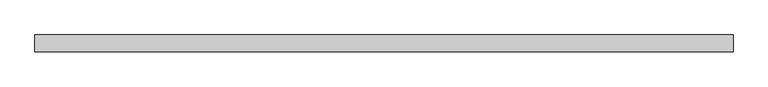
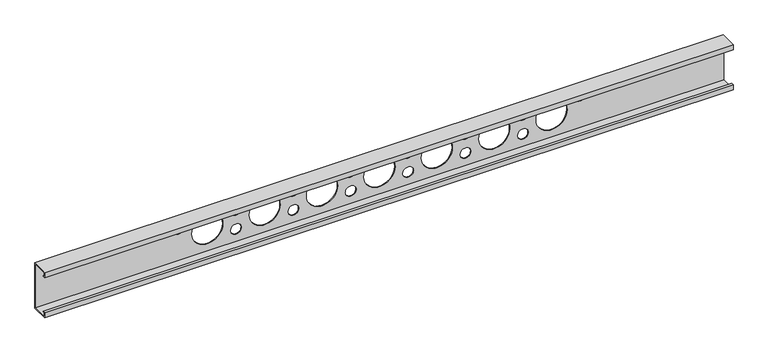
"""IFC4 building model written with IfcOpenShell, lengths in millimetres: beam geometry."""

import ifcopenshell
import ifcopenshell.guid

model = None  # the IFC model being written
_history = None  # IfcOwnerHistory: only IFC2X3 demands one
_inside = {}  # id of a spatial element -> (the spatial element, [elements in it])
_under = {}  # id of a project, library or spatial element -> (it, [spatial elements below it])
_declared = {}  # id of a project -> (the project, [libraries it declares])
_typed = {}  # id of a type object -> (the type object, [elements of that type])
_made_of = {}  # id of a material, layer set ... -> (it, [elements and type objects made of it])


def new_model(schema):
    """Start an empty IFC model of exactly this schema.

    Asked for "IFC4X3", IfcOpenShell would pick the latest addendum, in which some entities
    have other attributes; the version numbers below select the first issue.
    IFC2X3 requires an IfcOwnerHistory on every rooted entity: one is made here for all.
    """
    global model, _history
    if schema == "IFC4X3":
        model = ifcopenshell.file(schema_version=(4, 3, 0, 0))
    else:
        model = ifcopenshell.file(schema=schema)
    _inside.clear()
    _under.clear()
    _declared.clear()
    _typed.clear()
    _made_of.clear()
    _history = None
    if model.schema == "IFC2X3":
        org = make("IfcOrganization", Name="unknown")
        user = make(
            "IfcPersonAndOrganization",
            ThePerson=make("IfcPerson", FamilyName="unknown"),
            TheOrganization=org,
        )
        app = make(
            "IfcApplication",
            ApplicationDeveloper=org,
            Version="unknown",
            ApplicationFullName="unknown",
            ApplicationIdentifier="unknown",
        )
        _history = make(
            "IfcOwnerHistory",
            OwningUser=user,
            OwningApplication=app,
            ChangeAction="ADDED",
            CreationDate=0,
        )
    return model


def make(cls, **values):
    """One entity of the class cls with the attributes given. An attribute that is None is left unset."""
    return model.create_entity(
        cls, **{name: value for name, value in values.items() if value is not None}
    )


def rooted(cls, **values):
    """An entity with a GlobalId (a new one), such as an element, a storey or a relation."""
    return make(cls, GlobalId=ifcopenshell.guid.new(), OwnerHistory=_history, **values)


def si_unit(unit_type, name, prefix=None):
    """IfcSIUnit, for example si_unit("LENGTHUNIT", "METRE", prefix="MILLI")."""
    return make("IfcSIUnit", UnitType=unit_type, Prefix=prefix, Name=name)


def assignment(units):
    """IfcUnitAssignment: the units of a project."""
    return None if units is None else make("IfcUnitAssignment", Units=units)


def point(xyz):
    """IfcCartesianPoint."""
    return None if xyz is None else make("IfcCartesianPoint", Coordinates=xyz)


def direction(xyz):
    """IfcDirection."""
    return None if xyz is None else make("IfcDirection", DirectionRatios=xyz)


def frame(location, z_axis=None, x_axis=None):
    """IfcAxis2Placement3D, a coordinate frame: its origin and axes. An axis left out is left unset."""
    return make(
        "IfcAxis2Placement3D",
        Location=point(location),
        Axis=direction(z_axis),
        RefDirection=direction(x_axis),
    )


def origin():
    """The frame at (0, 0, 0) with its axes left unset."""
    return frame((0.0, 0.0, 0.0))


def place(relative_to, where):
    """IfcLocalPlacement: puts the frame where relative to a parent placement (None: the world)."""
    return make(
        "IfcLocalPlacement", PlacementRelTo=relative_to, RelativePlacement=where
    )


def context(
    kind, dimensions, precision=None, world=None, true_north=None, identifier=None
):
    """IfcGeometricRepresentationContext, for example the 3D "Model" context."""
    return make(
        "IfcGeometricRepresentationContext",
        ContextIdentifier=identifier,
        ContextType=kind,
        CoordinateSpaceDimension=dimensions,
        Precision=precision,
        WorldCoordinateSystem=world,
        TrueNorth=true_north,
    )


def project(units=None, contexts=None):
    """IfcProject with its units and contexts."""
    return rooted(
        "IfcProject",
        Name="project",
        RepresentationContexts=contexts,
        UnitsInContext=assignment(units),
    )


def spatial(cls, under=None, at=None, **own):
    """A site, building, storey or space (cls), placed at a placement, below another one or the project."""
    s = rooted(cls, ObjectPlacement=at, **own)
    if under is not None:
        _under.setdefault(under.id(), (under, []))[1].append(s)
    return s


def polyline(points):
    """IfcPolyline through the points."""
    return make("IfcPolyline", Points=[point(p) for p in points])


def circle_curve(where, radius):
    """IfcCircle in the frame where."""
    return make("IfcCircle", Position=where, Radius=radius)


def shape(context_of_items, identifier, shape_type, items):
    """IfcShapeRepresentation: the items that make up one representation, for example the "Body"."""
    return make(
        "IfcShapeRepresentation",
        ContextOfItems=context_of_items,
        RepresentationIdentifier=identifier,
        RepresentationType=shape_type,
        Items=items,
    )


def source(mapping_origin, context_of_items, identifier, shape_type, items):
    """IfcRepresentationMap: a shape defined once, which mapped items show again and again."""
    return make(
        "IfcRepresentationMap",
        MappingOrigin=mapping_origin,
        MappedRepresentation=shape(context_of_items, identifier, shape_type, items),
    )


def transform(
    local_origin,
    x_axis=None,
    y_axis=None,
    z_axis=None,
    scale=None,
    scale2=None,
    scale3=None,
    uniform=True,
):
    """IfcCartesianTransformationOperator3D, or its non-uniform kind. x_axis, y_axis, z_axis: its Axis1, 2, 3."""
    if uniform:
        return make(
            "IfcCartesianTransformationOperator3D",
            Axis1=direction(x_axis),
            Axis2=direction(y_axis),
            LocalOrigin=point(local_origin),
            Scale=scale,
            Axis3=direction(z_axis),
        )
    return make(
        "IfcCartesianTransformationOperator3DnonUniform",
        Axis1=direction(x_axis),
        Axis2=direction(y_axis),
        LocalOrigin=point(local_origin),
        Scale=scale,
        Axis3=direction(z_axis),
        Scale2=scale2,
        Scale3=scale3,
    )


def mapped(mapping_source, mapping_target):
    """IfcMappedItem: shows the shape of a source again, moved by a transform."""
    return make(
        "IfcMappedItem", MappingSource=mapping_source, MappingTarget=mapping_target
    )


def made_of(thing, what):
    """Note that an element or type object is made of a material, layer set ...; save() writes the relation."""
    if what is not None:
        _made_of.setdefault(what.id(), (what, []))[1].append(thing)
    return thing


def element(
    cls,
    number,
    at=None,
    inside=None,
    cuts=None,
    type_object=None,
    material=None,
    context=None,
    identifier="Body",
    shape_type=None,
    held_by="IfcProductDefinitionShape",
    body=None,
    shapes=None,
    **own,
):
    """One element of the class cls, such as IfcWall. Its Tag is "e" and its number.

    at: its placement. inside: the storey or other place that contains it. cuts: it is an
    opening in that element (IfcRelVoidsElement). A single representation is given by context,
    identifier, shape_type and body (its items); several are given by shapes. held_by: the class
    of the entity that holds the representations. save() writes the other relations.
    """
    e = rooted(cls, Tag="e%d" % number, ObjectPlacement=at, **own)
    if body is not None:
        shapes = [shape(context, identifier, shape_type, body)]
    if shapes is not None:
        e.Representation = make(held_by, Representations=shapes)
    if inside is not None:
        _inside.setdefault(inside.id(), (inside, []))[1].append(e)
    if cuts is not None:
        rooted(
            "IfcRelVoidsElement", RelatingBuildingElement=cuts, RelatedOpeningElement=e
        )
    if type_object is not None:
        _typed.setdefault(type_object.id(), (type_object, []))[1].append(e)
    return made_of(e, material)


def aggregate(whole, parts):
    """IfcRelAggregates: a whole, such as a stair, and the parts it consists of."""
    return rooted("IfcRelAggregates", RelatingObject=whole, RelatedObjects=parts)


def save(model, path):
    """Write the relations noted so far, then the file.

    IfcRelAggregates (storeys below a building ...), IfcRelContainedInSpatialStructure (elements
    in a storey), IfcRelDefinesByType, IfcRelAssociatesMaterial and IfcRelDeclares: one each for
    every whole, place, type object, material and project.
    """
    for whole, parts in _under.values():
        aggregate(whole, parts)
    for where, things in _inside.values():
        rooted(
            "IfcRelContainedInSpatialStructure",
            RelatedElements=things,
            RelatingStructure=where,
        )
    for kind, things in _typed.values():
        rooted("IfcRelDefinesByType", RelatedObjects=things, RelatingType=kind)
    for what, things in _made_of.values():
        rooted("IfcRelAssociatesMaterial", RelatedObjects=things, RelatingMaterial=what)
    for by, libraries in _declared.values():
        rooted("IfcRelDeclares", RelatingContext=by, RelatedDefinitions=libraries)
    model.write(path)


def plane_surface(at):
    """IfcPlane: the flat surface through the origin of the frame at, square to its z axis."""
    return make("IfcPlane", Position=at)


def revolved_surface(curve, axis_point, axis_direction):
    """IfcSurfaceOfRevolution: the curve turned about the line through axis_point along axis_direction."""
    return make(
        "IfcSurfaceOfRevolution",
        SweptCurve=make("IfcArbitraryOpenProfileDef", ProfileType="CURVE", Curve=curve),
        AxisPosition=make("IfcAxis1Placement", Location=point(axis_point), Axis=direction(axis_direction)),
    )


def advanced_brep(points, edges, surfaces, faces):
    """IfcAdvancedBrep: a solid bounded by faces that lie on surfaces and meet in shared edges.

    An edge is (start, end): straight between two places in points (the first is 0);
    or (start, end, curve); or (start, end, curve, False) where it runs against its curve.
    A face is (place in surfaces, loops), or (place, loops, False) where it looks against
    its surface's normal. A loop lists edges by number (the first is 1), with a minus sign
    where the edge is run from its end to its start. The first loop is the outer one.
    """
    corners = [point(p) for p in points]
    vertices = [make("IfcVertexPoint", VertexGeometry=c) for c in corners]
    made = []
    for start, end, *more in edges:
        made.append(
            make(
                "IfcEdgeCurve",
                EdgeStart=vertices[start],
                EdgeEnd=vertices[end],
                EdgeGeometry=more[0] if more else make("IfcPolyline", Points=[corners[start], corners[end]]),
                SameSense=more[1] if len(more) > 1 else True,
            )
        )
    hull = []
    for where, loops, *sense in faces:
        bounds = []
        for j, loop in enumerate(loops):
            ring = [make("IfcOrientedEdge", EdgeElement=made[abs(k) - 1], Orientation=k > 0) for k in loop]
            bounds.append(
                make(
                    "IfcFaceOuterBound" if j == 0 else "IfcFaceBound",
                    Bound=make("IfcEdgeLoop", EdgeList=ring),
                    Orientation=True,
                )
            )
        hull.append(make("IfcAdvancedFace", Bounds=bounds, FaceSurface=surfaces[where], SameSense=sense[0] if sense else True))
    return make("IfcAdvancedBrep", Outer=make("IfcClosedShell", CfsFaces=hull))


def beam_0a7a5079(model_context):
    return source(origin(), model_context, "Body", "AdvancedBrep", [
        advanced_brep(
        [(1828.8, 44.45, -127.0), (1828.8, 44.45, 127.0), (1828.8, -44.45, 127.0), (1828.8, -44.45, 98.425), (1828.8, -31.75, 98.425), (1828.8, -31.75, 101.57968), (1828.8, -41.29532, 101.57968), (1828.8, -41.29532, 123.84532), (1828.8, 41.29532, 123.84532), (1828.8, 41.29532, -123.84532), (1828.8, -41.29532, -123.84532), (1828.8, -41.29532, -101.57968), (1828.8, -31.75, -101.57968), (1828.8, -31.75, -98.425), (1828.8, -44.45, -98.425), (1828.8, -44.45, -127.0), (-1828.8, 44.45, -127.0), (-1828.8, -44.45, -127.0), (-1828.8, -44.45, -98.425), (-1828.8, -31.75, -98.425), (-1828.8, -31.75, -101.57968), (-1828.8, -41.29532, -101.57968), (-1828.8, -41.29532, -123.84532), (-1828.8, 41.29532, -123.84532), (-1828.8, 41.29532, 123.84532), (-1828.8, -41.29532, 123.84532), (-1828.8, -41.29532, 101.57968), (-1828.8, -31.75, 101.57968), (-1828.8, -31.75, 98.425), (-1828.8, -44.45, 98.425), (-1828.8, -44.45, 127.0), (-1828.8, 44.45, 127.0), (-996.95, 44.45, 0.0), (-831.85, 44.45, 0.0), (-790.575, 44.45, -53.975), (-733.425, 44.45, -53.975), (-790.575, 44.45, 53.975), (-733.425, 44.45, 53.975), (-692.15, 44.45, 0.0), (-527.05, 44.45, 0.0), (-485.775, 44.45, -53.975), (-428.625, 44.45, -53.975), (-485.775, 44.45, 53.975), (-428.625, 44.45, 53.975), (831.85, 44.45, 0.0), (996.95, 44.45, 0.0), (1038.225, 44.45, 53.975), (1095.375, 44.45, 53.975), (-1095.375, 44.45, 53.975), (-1038.225, 44.45, 53.975), (-387.35, 44.45, 0.0), (-222.25, 44.45, 0.0), (-180.975, 44.45, -53.975), (-123.825, 44.45, -53.975), (-180.975, 44.45, 53.975), (-123.825, 44.45, 53.975), (-82.55, 44.45, 0.0), (82.55, 44.45, 0.0), (123.825, 44.45, -53.975), (180.975, 44.45, -53.975), (123.825, 44.45, 53.975), (180.975, 44.45, 53.975), (222.25, 44.45, 0.0), (387.35, 44.45, 0.0), (428.625, 44.45, -53.975), (485.775, 44.45, -53.975), (428.625, 44.45, 53.975), (485.775, 44.45, 53.975), (527.05, 44.45, 0.0), (692.15, 44.45, 0.0), (733.425, 44.45, -53.975), (790.575, 44.45, -53.975), (733.425, 44.45, 53.975), (790.575, 44.45, 53.975), (-831.85, 41.29532, 0.0), (-996.95, 41.29532, 0.0), (-733.425, 41.29532, -53.975), (-790.575, 41.29532, -53.975), (-733.425, 41.29532, 53.975), (-790.575, 41.29532, 53.975), (-527.05, 41.29532, 0.0), (-692.15, 41.29532, 0.0), (-428.625, 41.29532, -53.975), (-485.775, 41.29532, -53.975), (-428.625, 41.29532, 53.975), (-485.775, 41.29532, 53.975), (996.95, 41.29532, 0.0), (831.85, 41.29532, 0.0), (1095.375, 41.29532, 53.975), (1038.225, 41.29532, 53.975), (-1038.225, 41.29532, 53.975), (-1095.375, 41.29532, 53.975), (-222.25, 41.29532, 0.0), (-387.35, 41.29532, 0.0), (-123.825, 41.29532, -53.975), (-180.975, 41.29532, -53.975), (-123.825, 41.29532, 53.975), (-180.975, 41.29532, 53.975), (82.55, 41.29532, 0.0), (-82.55, 41.29532, 0.0), (180.975, 41.29532, -53.975), (123.825, 41.29532, -53.975), (180.975, 41.29532, 53.975), (123.825, 41.29532, 53.975), (387.35, 41.29532, 0.0), (222.25, 41.29532, 0.0), (485.775, 41.29532, -53.975), (428.625, 41.29532, -53.975), (485.775, 41.29532, 53.975), (428.625, 41.29532, 53.975), (692.15, 41.29532, 0.0), (527.05, 41.29532, 0.0), (790.575, 41.29532, -53.975), (733.425, 41.29532, -53.975), (790.575, 41.29532, 53.975), (733.425, 41.29532, 53.975)],
        [
            (0, 1),
            (1, 2),
            (2, 3),
            (3, 4),
            (4, 5),
            (5, 6),
            (6, 7),
            (7, 8),
            (8, 9),
            (9, 10),
            (10, 11),
            (11, 12),
            (12, 13),
            (13, 14),
            (14, 15),
            (15, 0),
            (16, 17),
            (17, 18),
            (18, 19),
            (19, 20),
            (20, 21),
            (21, 22),
            (22, 23),
            (23, 24),
            (24, 25),
            (25, 26),
            (26, 27),
            (27, 28),
            (28, 29),
            (29, 30),
            (30, 31),
            (31, 16),
            (0, 16),
            (31, 1),
            (32, 33, circle_curve(frame((-914.4, 44.45, 0.0), z_axis=(0.0, -1.0, 0.0), x_axis=(1.0, 0.0, 0.0)), 82.55)),
            (33, 32, circle_curve(frame((-914.4, 44.45, 0.0), z_axis=(0.0, -1.0, 0.0), x_axis=(1.0, 0.0, 0.0)), 82.55)),
            (34, 35, circle_curve(frame((-762.0, 44.45, -53.975), z_axis=(0.0, -1.0, 0.0), x_axis=(1.0, 0.0, 0.0)), 28.575)),
            (35, 34, circle_curve(frame((-762.0, 44.45, -53.975), z_axis=(0.0, -1.0, 0.0), x_axis=(1.0, 0.0, 0.0)), 28.575)),
            (36, 37, circle_curve(frame((-762.0, 44.45, 53.975), z_axis=(0.0, -1.0, 0.0), x_axis=(1.0, 0.0, 0.0)), 28.575)),
            (37, 36, circle_curve(frame((-762.0, 44.45, 53.975), z_axis=(0.0, -1.0, 0.0), x_axis=(1.0, 0.0, 0.0)), 28.575)),
            (38, 39, circle_curve(frame((-609.6, 44.45, 0.0), z_axis=(0.0, -1.0, 0.0), x_axis=(1.0, 0.0, 0.0)), 82.55)),
            (39, 38, circle_curve(frame((-609.6, 44.45, 0.0), z_axis=(0.0, -1.0, 0.0), x_axis=(1.0, 0.0, 0.0)), 82.55)),
            (40, 41, circle_curve(frame((-457.2, 44.45, -53.975), z_axis=(0.0, -1.0, 0.0), x_axis=(1.0, 0.0, 0.0)), 28.575)),
            (41, 40, circle_curve(frame((-457.2, 44.45, -53.975), z_axis=(0.0, -1.0, 0.0), x_axis=(1.0, 0.0, 0.0)), 28.575)),
            (42, 43, circle_curve(frame((-457.2, 44.45, 53.975), z_axis=(0.0, -1.0, 0.0), x_axis=(1.0, 0.0, 0.0)), 28.575)),
            (43, 42, circle_curve(frame((-457.2, 44.45, 53.975), z_axis=(0.0, -1.0, 0.0), x_axis=(1.0, 0.0, 0.0)), 28.575)),
            (44, 45, circle_curve(frame((914.4, 44.45, 0.0), z_axis=(0.0, -1.0, 0.0), x_axis=(1.0, 0.0, 0.0)), 82.55)),
            (45, 44, circle_curve(frame((914.4, 44.45, 0.0), z_axis=(0.0, -1.0, 0.0), x_axis=(1.0, 0.0, 0.0)), 82.55)),
            (46, 47, circle_curve(frame((1066.8, 44.45, 53.975), z_axis=(0.0, -1.0, 0.0), x_axis=(1.0, 0.0, 0.0)), 28.575)),
            (47, 46, circle_curve(frame((1066.8, 44.45, 53.975), z_axis=(0.0, -1.0, 0.0), x_axis=(1.0, 0.0, 0.0)), 28.575)),
            (48, 49, circle_curve(frame((-1066.8, 44.45, 53.975), z_axis=(0.0, -1.0, 0.0), x_axis=(1.0, 0.0, 0.0)), 28.575)),
            (49, 48, circle_curve(frame((-1066.8, 44.45, 53.975), z_axis=(0.0, -1.0, 0.0), x_axis=(1.0, 0.0, 0.0)), 28.575)),
            (50, 51, circle_curve(frame((-304.8, 44.45, 0.0), z_axis=(0.0, -1.0, 0.0), x_axis=(1.0, 0.0, 0.0)), 82.55)),
            (51, 50, circle_curve(frame((-304.8, 44.45, 0.0), z_axis=(0.0, -1.0, 0.0), x_axis=(1.0, 0.0, 0.0)), 82.55)),
            (52, 53, circle_curve(frame((-152.4, 44.45, -53.975), z_axis=(0.0, -1.0, 0.0), x_axis=(1.0, 0.0, 0.0)), 28.575)),
            (53, 52, circle_curve(frame((-152.4, 44.45, -53.975), z_axis=(0.0, -1.0, 0.0), x_axis=(1.0, 0.0, 0.0)), 28.575)),
            (54, 55, circle_curve(frame((-152.4, 44.45, 53.975), z_axis=(0.0, -1.0, 0.0), x_axis=(1.0, 0.0, 0.0)), 28.575)),
            (55, 54, circle_curve(frame((-152.4, 44.45, 53.975), z_axis=(0.0, -1.0, 0.0), x_axis=(1.0, 0.0, 0.0)), 28.575)),
            (56, 57, circle_curve(frame((0.0, 44.45, 0.0), z_axis=(0.0, -1.0, 0.0), x_axis=(1.0, 0.0, 0.0)), 82.55)),
            (57, 56, circle_curve(frame((0.0, 44.45, 0.0), z_axis=(0.0, -1.0, 0.0), x_axis=(1.0, 0.0, 0.0)), 82.55)),
            (58, 59, circle_curve(frame((152.4, 44.45, -53.975), z_axis=(0.0, -1.0, 0.0), x_axis=(1.0, 0.0, 0.0)), 28.575)),
            (59, 58, circle_curve(frame((152.4, 44.45, -53.975), z_axis=(0.0, -1.0, 0.0), x_axis=(1.0, 0.0, 0.0)), 28.575)),
            (60, 61, circle_curve(frame((152.4, 44.45, 53.975), z_axis=(0.0, -1.0, 0.0), x_axis=(1.0, 0.0, 0.0)), 28.575)),
            (61, 60, circle_curve(frame((152.4, 44.45, 53.975), z_axis=(0.0, -1.0, 0.0), x_axis=(1.0, 0.0, 0.0)), 28.575)),
            (62, 63, circle_curve(frame((304.8, 44.45, 0.0), z_axis=(0.0, -1.0, 0.0), x_axis=(1.0, 0.0, 0.0)), 82.55)),
            (63, 62, circle_curve(frame((304.8, 44.45, 0.0), z_axis=(0.0, -1.0, 0.0), x_axis=(1.0, 0.0, 0.0)), 82.55)),
            (64, 65, circle_curve(frame((457.2, 44.45, -53.975), z_axis=(0.0, -1.0, 0.0), x_axis=(1.0, 0.0, 0.0)), 28.575)),
            (65, 64, circle_curve(frame((457.2, 44.45, -53.975), z_axis=(0.0, -1.0, 0.0), x_axis=(1.0, 0.0, 0.0)), 28.575)),
            (66, 67, circle_curve(frame((457.2, 44.45, 53.975), z_axis=(0.0, -1.0, 0.0), x_axis=(1.0, 0.0, 0.0)), 28.575)),
            (67, 66, circle_curve(frame((457.2, 44.45, 53.975), z_axis=(0.0, -1.0, 0.0), x_axis=(1.0, 0.0, 0.0)), 28.575)),
            (68, 69, circle_curve(frame((609.6, 44.45, 0.0), z_axis=(0.0, -1.0, 0.0), x_axis=(1.0, 0.0, 0.0)), 82.55)),
            (69, 68, circle_curve(frame((609.6, 44.45, 0.0), z_axis=(0.0, -1.0, 0.0), x_axis=(1.0, 0.0, 0.0)), 82.55)),
            (70, 71, circle_curve(frame((762.0, 44.45, -53.975), z_axis=(0.0, -1.0, 0.0), x_axis=(1.0, 0.0, 0.0)), 28.575)),
            (71, 70, circle_curve(frame((762.0, 44.45, -53.975), z_axis=(0.0, -1.0, 0.0), x_axis=(1.0, 0.0, 0.0)), 28.575)),
            (72, 73, circle_curve(frame((762.0, 44.45, 53.975), z_axis=(0.0, -1.0, 0.0), x_axis=(1.0, 0.0, 0.0)), 28.575)),
            (73, 72, circle_curve(frame((762.0, 44.45, 53.975), z_axis=(0.0, -1.0, 0.0), x_axis=(1.0, 0.0, 0.0)), 28.575)),
            (30, 2),
            (29, 3),
            (28, 4),
            (27, 5),
            (26, 6),
            (25, 7),
            (24, 8),
            (23, 9),
            (74, 75, circle_curve(frame((-914.4, 41.29532, 0.0), z_axis=(0.0, 1.0, 0.0), x_axis=(1.0, 0.0, 0.0)), 82.55)),
            (75, 74, circle_curve(frame((-914.4, 41.29532, 0.0), z_axis=(0.0, 1.0, 0.0), x_axis=(1.0, 0.0, 0.0)), 82.55)),
            (76, 77, circle_curve(frame((-762.0, 41.29532, -53.975), z_axis=(0.0, 1.0, 0.0), x_axis=(1.0, 0.0, 0.0)), 28.575)),
            (77, 76, circle_curve(frame((-762.0, 41.29532, -53.975), z_axis=(0.0, 1.0, 0.0), x_axis=(1.0, 0.0, 0.0)), 28.575)),
            (78, 79, circle_curve(frame((-762.0, 41.29532, 53.975), z_axis=(0.0, 1.0, 0.0), x_axis=(1.0, 0.0, 0.0)), 28.575)),
            (79, 78, circle_curve(frame((-762.0, 41.29532, 53.975), z_axis=(0.0, 1.0, 0.0), x_axis=(1.0, 0.0, 0.0)), 28.575)),
            (80, 81, circle_curve(frame((-609.6, 41.29532, 0.0), z_axis=(0.0, 1.0, 0.0), x_axis=(1.0, 0.0, 0.0)), 82.55)),
            (81, 80, circle_curve(frame((-609.6, 41.29532, 0.0), z_axis=(0.0, 1.0, 0.0), x_axis=(1.0, 0.0, 0.0)), 82.55)),
            (82, 83, circle_curve(frame((-457.2, 41.29532, -53.975), z_axis=(0.0, 1.0, 0.0), x_axis=(1.0, 0.0, 0.0)), 28.575)),
            (83, 82, circle_curve(frame((-457.2, 41.29532, -53.975), z_axis=(0.0, 1.0, 0.0), x_axis=(1.0, 0.0, 0.0)), 28.575)),
            (84, 85, circle_curve(frame((-457.2, 41.29532, 53.975), z_axis=(0.0, 1.0, 0.0), x_axis=(1.0, 0.0, 0.0)), 28.575)),
            (85, 84, circle_curve(frame((-457.2, 41.29532, 53.975), z_axis=(0.0, 1.0, 0.0), x_axis=(1.0, 0.0, 0.0)), 28.575)),
            (86, 87, circle_curve(frame((914.4, 41.29532, 0.0), z_axis=(0.0, 1.0, 0.0), x_axis=(1.0, 0.0, 0.0)), 82.55)),
            (87, 86, circle_curve(frame((914.4, 41.29532, 0.0), z_axis=(0.0, 1.0, 0.0), x_axis=(1.0, 0.0, 0.0)), 82.55)),
            (88, 89, circle_curve(frame((1066.8, 41.29532, 53.975), z_axis=(0.0, 1.0, 0.0), x_axis=(1.0, 0.0, 0.0)), 28.575)),
            (89, 88, circle_curve(frame((1066.8, 41.29532, 53.975), z_axis=(0.0, 1.0, 0.0), x_axis=(1.0, 0.0, 0.0)), 28.575)),
            (90, 91, circle_curve(frame((-1066.8, 41.29532, 53.975), z_axis=(0.0, 1.0, 0.0), x_axis=(1.0, 0.0, 0.0)), 28.575)),
            (91, 90, circle_curve(frame((-1066.8, 41.29532, 53.975), z_axis=(0.0, 1.0, 0.0), x_axis=(1.0, 0.0, 0.0)), 28.575)),
            (92, 93, circle_curve(frame((-304.8, 41.29532, 0.0), z_axis=(0.0, 1.0, 0.0), x_axis=(1.0, 0.0, 0.0)), 82.55)),
            (93, 92, circle_curve(frame((-304.8, 41.29532, 0.0), z_axis=(0.0, 1.0, 0.0), x_axis=(1.0, 0.0, 0.0)), 82.55)),
            (94, 95, circle_curve(frame((-152.4, 41.29532, -53.975), z_axis=(0.0, 1.0, 0.0), x_axis=(1.0, 0.0, 0.0)), 28.575)),
            (95, 94, circle_curve(frame((-152.4, 41.29532, -53.975), z_axis=(0.0, 1.0, 0.0), x_axis=(1.0, 0.0, 0.0)), 28.575)),
            (96, 97, circle_curve(frame((-152.4, 41.29532, 53.975), z_axis=(0.0, 1.0, 0.0), x_axis=(1.0, 0.0, 0.0)), 28.575)),
            (97, 96, circle_curve(frame((-152.4, 41.29532, 53.975), z_axis=(0.0, 1.0, 0.0), x_axis=(1.0, 0.0, 0.0)), 28.575)),
            (98, 99, circle_curve(frame((0.0, 41.29532, 0.0), z_axis=(0.0, 1.0, 0.0), x_axis=(1.0, 0.0, 0.0)), 82.55)),
            (99, 98, circle_curve(frame((0.0, 41.29532, 0.0), z_axis=(0.0, 1.0, 0.0), x_axis=(1.0, 0.0, 0.0)), 82.55)),
            (100, 101, circle_curve(frame((152.4, 41.29532, -53.975), z_axis=(0.0, 1.0, 0.0), x_axis=(1.0, 0.0, 0.0)), 28.575)),
            (101, 100, circle_curve(frame((152.4, 41.29532, -53.975), z_axis=(0.0, 1.0, 0.0), x_axis=(1.0, 0.0, 0.0)), 28.575)),
            (102, 103, circle_curve(frame((152.4, 41.29532, 53.975), z_axis=(0.0, 1.0, 0.0), x_axis=(1.0, 0.0, 0.0)), 28.575)),
            (103, 102, circle_curve(frame((152.4, 41.29532, 53.975), z_axis=(0.0, 1.0, 0.0), x_axis=(1.0, 0.0, 0.0)), 28.575)),
            (104, 105, circle_curve(frame((304.8, 41.29532, 0.0), z_axis=(0.0, 1.0, 0.0), x_axis=(1.0, 0.0, 0.0)), 82.55)),
            (105, 104, circle_curve(frame((304.8, 41.29532, 0.0), z_axis=(0.0, 1.0, 0.0), x_axis=(1.0, 0.0, 0.0)), 82.55)),
            (106, 107, circle_curve(frame((457.2, 41.29532, -53.975), z_axis=(0.0, 1.0, 0.0), x_axis=(1.0, 0.0, 0.0)), 28.575)),
            (107, 106, circle_curve(frame((457.2, 41.29532, -53.975), z_axis=(0.0, 1.0, 0.0), x_axis=(1.0, 0.0, 0.0)), 28.575)),
            (108, 109, circle_curve(frame((457.2, 41.29532, 53.975), z_axis=(0.0, 1.0, 0.0), x_axis=(1.0, 0.0, 0.0)), 28.575)),
            (109, 108, circle_curve(frame((457.2, 41.29532, 53.975), z_axis=(0.0, 1.0, 0.0), x_axis=(1.0, 0.0, 0.0)), 28.575)),
            (110, 111, circle_curve(frame((609.6, 41.29532, 0.0), z_axis=(0.0, 1.0, 0.0), x_axis=(1.0, 0.0, 0.0)), 82.55)),
            (111, 110, circle_curve(frame((609.6, 41.29532, 0.0), z_axis=(0.0, 1.0, 0.0), x_axis=(1.0, 0.0, 0.0)), 82.55)),
            (112, 113, circle_curve(frame((762.0, 41.29532, -53.975), z_axis=(0.0, 1.0, 0.0), x_axis=(1.0, 0.0, 0.0)), 28.575)),
            (113, 112, circle_curve(frame((762.0, 41.29532, -53.975), z_axis=(0.0, 1.0, 0.0), x_axis=(1.0, 0.0, 0.0)), 28.575)),
            (114, 115, circle_curve(frame((762.0, 41.29532, 53.975), z_axis=(0.0, 1.0, 0.0), x_axis=(1.0, 0.0, 0.0)), 28.575)),
            (115, 114, circle_curve(frame((762.0, 41.29532, 53.975), z_axis=(0.0, 1.0, 0.0), x_axis=(1.0, 0.0, 0.0)), 28.575)),
            (22, 10),
            (21, 11),
            (20, 12),
            (19, 13),
            (18, 14),
            (17, 15),
            (32, 75),
            (74, 33),
            (34, 77),
            (76, 35),
            (36, 79),
            (78, 37),
            (38, 81),
            (80, 39),
            (40, 83),
            (82, 41),
            (42, 85),
            (84, 43),
            (44, 87),
            (86, 45),
            (46, 89),
            (88, 47),
            (48, 91),
            (90, 49),
            (50, 93),
            (92, 51),
            (52, 95),
            (94, 53),
            (54, 97),
            (96, 55),
            (56, 99),
            (98, 57),
            (58, 101),
            (100, 59),
            (60, 103),
            (102, 61),
            (62, 105),
            (104, 63),
            (64, 107),
            (106, 65),
            (66, 109),
            (108, 67),
            (68, 111),
            (110, 69),
            (70, 113),
            (112, 71),
            (72, 115),
            (114, 73),
        ],
        [
            plane_surface(frame((1828.8, 44.45, 127.0), z_axis=(1.0, 0.0, 0.0), x_axis=(0.0, 0.0, 1.0))),
            plane_surface(frame((-1828.8, 44.45, 127.0), z_axis=(-1.0, 0.0, 0.0), x_axis=(0.0, 0.0, -1.0))),
            plane_surface(frame((1828.8, 44.45, -127.0), z_axis=(0.0, 1.0, 0.0), x_axis=(-1.0, 0.0, 0.0))),
            plane_surface(frame((1828.8, 44.45, 127.0), z_axis=(0.0, 0.0, 1.0), x_axis=(-1.0, 0.0, 0.0))),
            plane_surface(frame((1828.8, -44.45, 127.0), z_axis=(0.0, -1.0, 0.0), x_axis=(-1.0, 0.0, 0.0))),
            plane_surface(frame((1828.8, -44.45, 98.425), z_axis=(0.0, 0.0, -1.0), x_axis=(-1.0, 0.0, 0.0))),
            plane_surface(frame((1828.8, -31.75, 98.425), z_axis=(0.0, 1.0, 0.0), x_axis=(-1.0, 0.0, 0.0))),
            plane_surface(frame((1828.8, -31.75, 101.57968), z_axis=(0.0, 0.0, 1.0), x_axis=(-1.0, 0.0, 0.0))),
            plane_surface(frame((1828.8, -41.29532, 101.57968), z_axis=(0.0, 1.0, 0.0), x_axis=(-1.0, 0.0, 0.0))),
            plane_surface(frame((1828.8, -41.29532, 123.84532), z_axis=(0.0, 0.0, -1.0), x_axis=(-1.0, 0.0, 0.0))),
            plane_surface(frame((1828.8, 41.29532, 123.84532), z_axis=(0.0, -1.0, 0.0), x_axis=(-1.0, 0.0, 0.0))),
            plane_surface(frame((1828.8, 41.29532, -123.84532), z_axis=(0.0, 0.0, 1.0), x_axis=(-1.0, 0.0, 0.0))),
            plane_surface(frame((1828.8, -41.29532, -123.84532), z_axis=(0.0, 1.0, 0.0), x_axis=(-1.0, 0.0, 0.0))),
            plane_surface(frame((1828.8, -41.29532, -101.57968), z_axis=(0.0, 0.0, -1.0), x_axis=(-1.0, 0.0, 0.0))),
            plane_surface(frame((1828.8, -31.75, -101.57968), z_axis=(0.0, 1.0, 0.0), x_axis=(-1.0, 0.0, 0.0))),
            plane_surface(frame((1828.8, -31.75, -98.425), z_axis=(0.0, 0.0, 1.0), x_axis=(-1.0, 0.0, 0.0))),
            plane_surface(frame((1828.8, -44.45, -98.425), z_axis=(0.0, -1.0, 0.0), x_axis=(-1.0, 0.0, 0.0))),
            plane_surface(frame((1828.8, -44.45, -127.0), z_axis=(0.0, 0.0, -1.0), x_axis=(-1.0, 0.0, 0.0))),
            revolved_surface(polyline([(-831.85, 41.295320000000004, 0.0), (-831.85, 44.44999999999999, 0.0)]), (-914.4, 301.1175022, 0.0), (0.0, -1.0, 0.0)),
            revolved_surface(polyline([(-733.425, 41.29532, -53.975), (-733.425, 44.45, -53.975)]), (-762.0, 0.0, -53.975), (0.0, -1.0, 0.0)),
            revolved_surface(polyline([(-733.425, 41.29532, 53.975), (-733.425, 44.45, 53.975)]), (-762.0, 0.0, 53.975), (0.0, -1.0, 0.0)),
            revolved_surface(polyline([(-527.0500000000001, 41.295320000000004, 0.0), (-527.0500000000001, 44.44999999999999, 0.0)]), (-609.6, 301.1175022, 0.0), (0.0, -1.0, 0.0)),
            revolved_surface(polyline([(-428.625, 41.29532, -53.975), (-428.625, 44.45, -53.975)]), (-457.2, 0.0, -53.975), (0.0, -1.0, 0.0)),
            revolved_surface(polyline([(-428.625, 41.29532, 53.975), (-428.625, 44.45, 53.975)]), (-457.2, 0.0, 53.975), (0.0, -1.0, 0.0)),
            revolved_surface(polyline([(996.9499999999999, 41.295320000000004, 0.0), (996.9499999999999, 44.44999999999999, 0.0)]), (914.4, 301.1175022, 0.0), (0.0, -1.0, 0.0)),
            revolved_surface(polyline([(1095.375, 41.29532, 53.975), (1095.375, 44.45, 53.975)]), (1066.8, 0.0, 53.975), (0.0, -1.0, 0.0)),
            revolved_surface(polyline([(-1038.225, 41.295320000000004, 53.975), (-1038.225, 44.45, 53.975)]), (-1066.8, 116.7924658, 53.975), (0.0, -1.0, 0.0)),
            revolved_surface(polyline([(-222.25, 41.295320000000004, 0.0), (-222.25, 44.44999999999999, 0.0)]), (-304.8, 301.1175022, 0.0), (0.0, -1.0, 0.0)),
            revolved_surface(polyline([(-123.825, 41.29532, -53.975), (-123.825, 44.45, -53.975)]), (-152.4, 0.0, -53.975), (0.0, -1.0, 0.0)),
            revolved_surface(polyline([(-123.825, 41.29532, 53.975), (-123.825, 44.45, 53.975)]), (-152.4, 0.0, 53.975), (0.0, -1.0, 0.0)),
            revolved_surface(polyline([(82.55, 41.295320000000004, 0.0), (82.55, 44.44999999999999, 0.0)]), (0.0, 301.1175022, 0.0), (0.0, -1.0, 0.0)),
            revolved_surface(polyline([(180.975, 41.29532, -53.975), (180.975, 44.45, -53.975)]), (152.4, 0.0, -53.975), (0.0, -1.0, 0.0)),
            revolved_surface(polyline([(180.975, 41.29532, 53.975), (180.975, 44.45, 53.975)]), (152.4, 0.0, 53.975), (0.0, -1.0, 0.0)),
            revolved_surface(polyline([(387.35, 41.295320000000004, 0.0), (387.35, 44.44999999999999, 0.0)]), (304.8, 301.1175022, 0.0), (0.0, -1.0, 0.0)),
            revolved_surface(polyline([(485.775, 41.29532, -53.975), (485.775, 44.45, -53.975)]), (457.2, 0.0, -53.975), (0.0, -1.0, 0.0)),
            revolved_surface(polyline([(485.775, 41.29532, 53.975), (485.775, 44.45, 53.975)]), (457.2, 0.0, 53.975), (0.0, -1.0, 0.0)),
            revolved_surface(polyline([(692.15, 41.295320000000004, 0.0), (692.15, 44.44999999999999, 0.0)]), (609.6, 301.1175022, 0.0), (0.0, -1.0, 0.0)),
            revolved_surface(polyline([(790.575, 41.29532, -53.975), (790.575, 44.45, -53.975)]), (762.0, 0.0, -53.975), (0.0, -1.0, 0.0)),
            revolved_surface(polyline([(790.575, 41.29532, 53.975), (790.575, 44.45, 53.975)]), (762.0, 0.0, 53.975), (0.0, -1.0, 0.0)),
        ],
        [
            (0, [[1, 2, 3, 4, 5, 6, 7, 8, 9, 10, 11, 12, 13, 14, 15, 16]]),
            (1, [[17, 18, 19, 20, 21, 22, 23, 24, 25, 26, 27, 28, 29, 30, 31, 32]]),
            (2, [[-1, 33, -32, 34], [35, 36], [37, 38], [39, 40], [41, 42], [43, 44], [45, 46], [47, 48], [49, 50], [51, 52], [53, 54], [55, 56], [57, 58], [59, 60], [61, 62], [63, 64], [65, 66], [67, 68], [69, 70], [71, 72], [73, 74], [75, 76]]),
            (3, [[-2, -34, -31, 77]]),
            (4, [[-3, -77, -30, 78]]),
            (5, [[-4, -78, -29, 79]]),
            (6, [[-5, -79, -28, 80]]),
            (7, [[-6, -80, -27, 81]]),
            (8, [[-7, -81, -26, 82]]),
            (9, [[-8, -82, -25, 83]]),
            (10, [[-9, -83, -24, 84], [85, 86], [87, 88], [89, 90], [91, 92], [93, 94], [95, 96], [97, 98], [99, 100], [101, 102], [103, 104], [105, 106], [107, 108], [109, 110], [111, 112], [113, 114], [115, 116], [117, 118], [119, 120], [121, 122], [123, 124], [125, 126]]),
            (11, [[-10, -84, -23, 127]]),
            (12, [[-11, -127, -22, 128]]),
            (13, [[-12, -128, -21, 129]]),
            (14, [[-13, -129, -20, 130]]),
            (15, [[-14, -130, -19, 131]]),
            (16, [[-15, -131, -18, 132]]),
            (17, [[-16, -132, -17, -33]]),
            (18, [[133, -85, 134, -35]]),
            (18, [[-133, -36, -134, -86]]),
            (19, [[135, -87, 136, -37]]),
            (19, [[-135, -38, -136, -88]]),
            (20, [[137, -89, 138, -39]]),
            (20, [[-137, -40, -138, -90]]),
            (21, [[139, -91, 140, -41]]),
            (21, [[-139, -42, -140, -92]]),
            (22, [[141, -93, 142, -43]]),
            (22, [[-141, -44, -142, -94]]),
            (23, [[143, -95, 144, -45]]),
            (23, [[-143, -46, -144, -96]]),
            (24, [[145, -97, 146, -47]]),
            (24, [[-145, -48, -146, -98]]),
            (25, [[147, -99, 148, -49]]),
            (25, [[-147, -50, -148, -100]]),
            (26, [[149, -101, 150, -51]]),
            (26, [[-149, -52, -150, -102]]),
            (27, [[151, -103, 152, -53]]),
            (27, [[-151, -54, -152, -104]]),
            (28, [[153, -105, 154, -55]]),
            (28, [[-153, -56, -154, -106]]),
            (29, [[155, -107, 156, -57]]),
            (29, [[-155, -58, -156, -108]]),
            (30, [[157, -109, 158, -59]]),
            (30, [[-157, -60, -158, -110]]),
            (31, [[159, -111, 160, -61]]),
            (31, [[-159, -62, -160, -112]]),
            (32, [[161, -113, 162, -63]]),
            (32, [[-161, -64, -162, -114]]),
            (33, [[163, -115, 164, -65]]),
            (33, [[-163, -66, -164, -116]]),
            (34, [[165, -117, 166, -67]]),
            (34, [[-165, -68, -166, -118]]),
            (35, [[167, -119, 168, -69]]),
            (35, [[-167, -70, -168, -120]]),
            (36, [[169, -121, 170, -71]]),
            (36, [[-169, -72, -170, -122]]),
            (37, [[171, -123, 172, -73]]),
            (37, [[-171, -74, -172, -124]]),
            (38, [[173, -125, 174, -75]]),
            (38, [[-173, -76, -174, -126]]),
        ],
    ),
    ])


if __name__ == "__main__":
    model = new_model("IFC4")
    model_context = context("Model", 3, world=origin())
    ifc_project = project(units=[si_unit("LENGTHUNIT", "METRE", prefix="MILLI")], contexts=[model_context])
    site = spatial("IfcSite", under=ifc_project)
    building = spatial("IfcBuilding", under=site)
    placement = place(None, origin())
    beam_shape = beam_0a7a5079(model_context)
    element("IfcBeam", 1, at=placement, inside=building, context=model_context, shape_type="MappedRepresentation", body=[
        mapped(beam_shape, transform((0.0, 0.0, 0.0), x_axis=(1.0, 0.0, 0.0), y_axis=(0.0, 1.0, 0.0), z_axis=(0.0, 0.0, 1.0))),
    ])
    save(model, "model.ifc")
